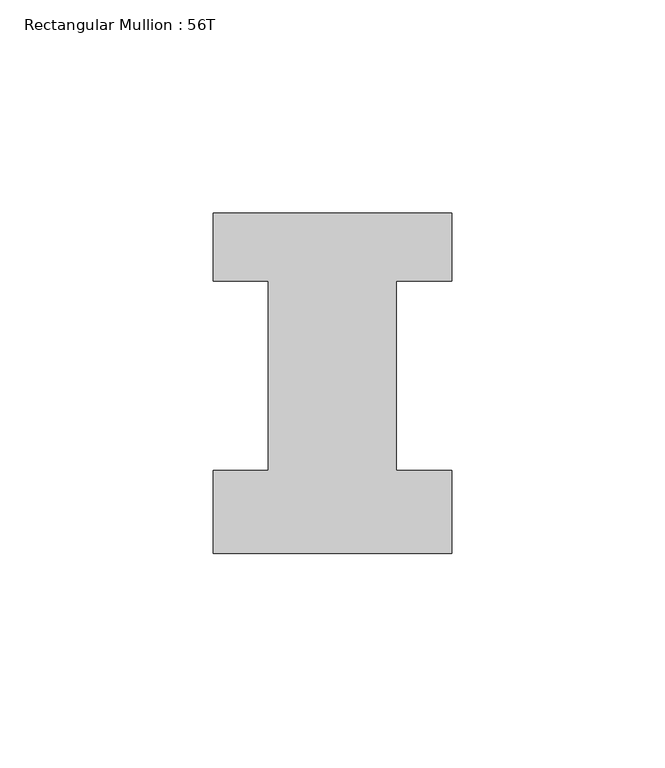
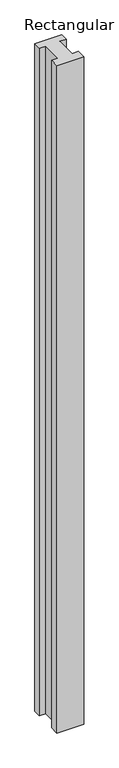
"""IFC4 building model written with IfcOpenShell, lengths in millimetres: member geometry, Rectangular Mullion : 56T."""

from ifc_helpers import new_model, si_unit, frame, origin, place, context, project, spatial, polyline, outline, extrude, source, transform, mapped, element, save


def rectangular_mullion_56t_739e2f72(model_context):
    return source(origin(), model_context, "Body", "SweptSolid", [
        extrude(outline(polyline([(28.0, -20.0), (-28.0, -20.0), (-28.0, -0.5), (-15.0, -0.5), (-15.0, 44.0), (-28.0, 44.0), (-28.0, 60.0), (28.0, 60.0), (28.0, 44.0), (15.0, 44.0), (15.0, -0.5), (28.0, -0.5), (28.0, -20.0)])), frame((0.0, 0.0, -1477.534293), z_axis=(0.0, 0.0, 1.0), x_axis=(1.0, 0.0, 0.0)), (0.0, 0.0, 1.0), 1477.534293),
    ])


if __name__ == "__main__":
    model = new_model("IFC4")
    model_context = context("Model", 3, world=origin())
    ifc_project = project(units=[si_unit("LENGTHUNIT", "METRE", prefix="MILLI")], contexts=[model_context])
    site = spatial("IfcSite", under=ifc_project)
    building = spatial("IfcBuilding", under=site)
    placement = place(None, origin())
    rectangular_mullion_56t_shape = rectangular_mullion_56t_739e2f72(model_context)
    element("IfcMember", 1, ObjectType="Rectangular Mullion : 56T", at=placement, inside=building, context=model_context, shape_type="MappedRepresentation", body=[
        mapped(rectangular_mullion_56t_shape, transform((0.0, 0.0, 0.0), x_axis=(1.0, 0.0, 0.0), y_axis=(0.0, 1.0, 0.0), z_axis=(0.0, 0.0, 1.0))),
    ])
    save(model, "model.ifc")
